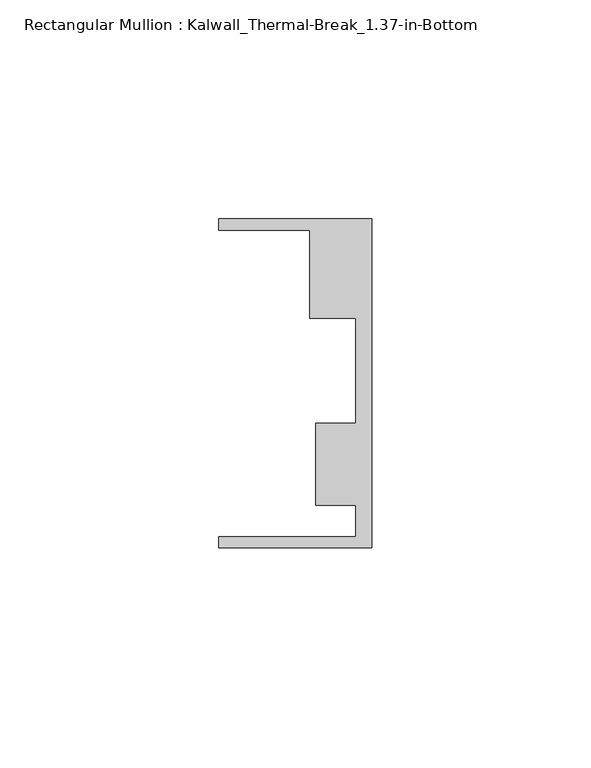
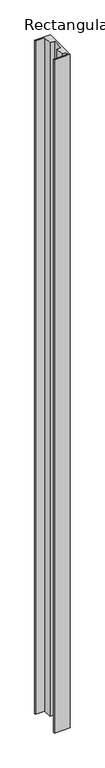
"""IFC4 building model written with IfcOpenShell, lengths in millimetres: member geometry, Rectangular Mullion : Kalwall_Thermal-Break_1.37-in-Bottom."""

from ifc_helpers import new_model, si_unit, frame, origin, place, context, project, spatial, polyline, outline, extrude, source, transform, mapped, element, save


def rectangular_mullion_kalwall_thermal_break_1_37_in_bottom_98ab4691(model_context):
    return source(origin(), model_context, "Body", "SweptSolid", [
        extrude(outline(polyline([(0.0, -37.5776386), (-34.925, -37.5776386), (-34.925, -35.0376386), (-3.7084, -35.0376386), (-3.7084, -27.8888568), (-12.8272539, -27.8888568), (-12.8272539, -9.1879886), (-3.7084, -9.1879886), (-3.7084, 14.7812677), (-14.1882812, 14.7812677), (-14.1882812, 34.9623614), (-34.925, 34.9623614), (-34.925, 37.5023614), (0.0, 37.5023614), (0.0, -37.5776386)])), frame((0.0, 0.0, -1567.0818003), z_axis=(0.0, 0.0, 1.0), x_axis=(1.0, 0.0, 0.0)), (0.0, 0.0, 1.0), 1567.0818003),
    ])


if __name__ == "__main__":
    model = new_model("IFC4")
    model_context = context("Model", 3, world=origin())
    ifc_project = project(units=[si_unit("LENGTHUNIT", "METRE", prefix="MILLI")], contexts=[model_context])
    site = spatial("IfcSite", under=ifc_project)
    building = spatial("IfcBuilding", under=site)
    placement = place(None, origin())
    rectangular_mullion_kalwall_thermal_break_1_37_in_bottom_shape = rectangular_mullion_kalwall_thermal_break_1_37_in_bottom_98ab4691(model_context)
    element("IfcMember", 1, ObjectType="Rectangular Mullion : Kalwall_Thermal-Break_1.37-in-Bottom", at=placement, inside=building, context=model_context, shape_type="MappedRepresentation", body=[
        mapped(rectangular_mullion_kalwall_thermal_break_1_37_in_bottom_shape, transform((0.0, 0.0, 0.0), x_axis=(1.0, 0.0, 0.0), y_axis=(0.0, 1.0, 0.0), z_axis=(0.0, 0.0, 1.0))),
    ])
    save(model, "model.ifc")
